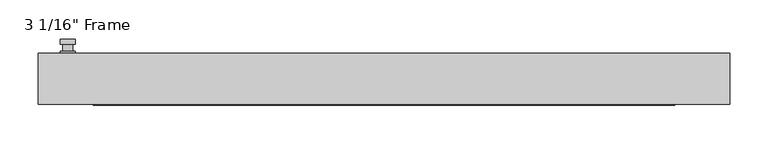
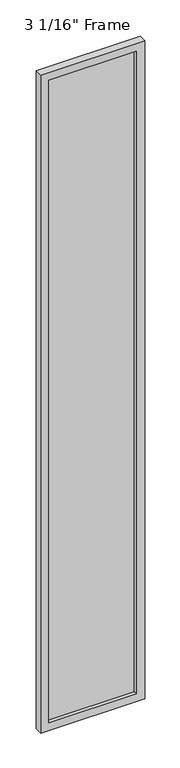
"""IFC4 building model written with IfcOpenShell, lengths in millimetres: plate geometry."""

import ifcopenshell
import ifcopenshell.guid

model = None  # the IFC model being written
_history = None  # IfcOwnerHistory: only IFC2X3 demands one
_inside = {}  # id of a spatial element -> (the spatial element, [elements in it])
_under = {}  # id of a project, library or spatial element -> (it, [spatial elements below it])
_declared = {}  # id of a project -> (the project, [libraries it declares])
_typed = {}  # id of a type object -> (the type object, [elements of that type])
_made_of = {}  # id of a material, layer set ... -> (it, [elements and type objects made of it])


def new_model(schema):
    """Start an empty IFC model of exactly this schema.

    Asked for "IFC4X3", IfcOpenShell would pick the latest addendum, in which some entities
    have other attributes; the version numbers below select the first issue.
    IFC2X3 requires an IfcOwnerHistory on every rooted entity: one is made here for all.
    """
    global model, _history
    if schema == "IFC4X3":
        model = ifcopenshell.file(schema_version=(4, 3, 0, 0))
    else:
        model = ifcopenshell.file(schema=schema)
    _inside.clear()
    _under.clear()
    _declared.clear()
    _typed.clear()
    _made_of.clear()
    _history = None
    if model.schema == "IFC2X3":
        org = make("IfcOrganization", Name="unknown")
        user = make(
            "IfcPersonAndOrganization",
            ThePerson=make("IfcPerson", FamilyName="unknown"),
            TheOrganization=org,
        )
        app = make(
            "IfcApplication",
            ApplicationDeveloper=org,
            Version="unknown",
            ApplicationFullName="unknown",
            ApplicationIdentifier="unknown",
        )
        _history = make(
            "IfcOwnerHistory",
            OwningUser=user,
            OwningApplication=app,
            ChangeAction="ADDED",
            CreationDate=0,
        )
    return model


def make(cls, **values):
    """One entity of the class cls with the attributes given. An attribute that is None is left unset."""
    return model.create_entity(
        cls, **{name: value for name, value in values.items() if value is not None}
    )


def rooted(cls, **values):
    """An entity with a GlobalId (a new one), such as an element, a storey or a relation."""
    return make(cls, GlobalId=ifcopenshell.guid.new(), OwnerHistory=_history, **values)


def si_unit(unit_type, name, prefix=None):
    """IfcSIUnit, for example si_unit("LENGTHUNIT", "METRE", prefix="MILLI")."""
    return make("IfcSIUnit", UnitType=unit_type, Prefix=prefix, Name=name)


def assignment(units):
    """IfcUnitAssignment: the units of a project."""
    return None if units is None else make("IfcUnitAssignment", Units=units)


def point(xyz):
    """IfcCartesianPoint."""
    return None if xyz is None else make("IfcCartesianPoint", Coordinates=xyz)


def direction(xyz):
    """IfcDirection."""
    return None if xyz is None else make("IfcDirection", DirectionRatios=xyz)


def frame(location, z_axis=None, x_axis=None):
    """IfcAxis2Placement3D, a coordinate frame: its origin and axes. An axis left out is left unset."""
    return make(
        "IfcAxis2Placement3D",
        Location=point(location),
        Axis=direction(z_axis),
        RefDirection=direction(x_axis),
    )


def origin():
    """The frame at (0, 0, 0) with its axes left unset."""
    return frame((0.0, 0.0, 0.0))


def place(relative_to, where):
    """IfcLocalPlacement: puts the frame where relative to a parent placement (None: the world)."""
    return make(
        "IfcLocalPlacement", PlacementRelTo=relative_to, RelativePlacement=where
    )


def context(
    kind, dimensions, precision=None, world=None, true_north=None, identifier=None
):
    """IfcGeometricRepresentationContext, for example the 3D "Model" context."""
    return make(
        "IfcGeometricRepresentationContext",
        ContextIdentifier=identifier,
        ContextType=kind,
        CoordinateSpaceDimension=dimensions,
        Precision=precision,
        WorldCoordinateSystem=world,
        TrueNorth=true_north,
    )


def project(units=None, contexts=None):
    """IfcProject with its units and contexts."""
    return rooted(
        "IfcProject",
        Name="project",
        RepresentationContexts=contexts,
        UnitsInContext=assignment(units),
    )


def spatial(cls, under=None, at=None, **own):
    """A site, building, storey or space (cls), placed at a placement, below another one or the project."""
    s = rooted(cls, ObjectPlacement=at, **own)
    if under is not None:
        _under.setdefault(under.id(), (under, []))[1].append(s)
    return s


def polyline(points):
    """IfcPolyline through the points."""
    return make("IfcPolyline", Points=[point(p) for p in points])


def circle_curve(where, radius):
    """IfcCircle in the frame where."""
    return make("IfcCircle", Position=where, Radius=radius)


def outline(outer, holes=None, kind="AREA"):
    """IfcArbitraryClosedProfileDef: a profile drawn as a closed curve; with holes, ...WithVoids."""
    if holes is None:
        return make("IfcArbitraryClosedProfileDef", ProfileType=kind, OuterCurve=outer)
    return make(
        "IfcArbitraryProfileDefWithVoids",
        ProfileType=kind,
        OuterCurve=outer,
        InnerCurves=holes,
    )


def extrude(swept, where, along, depth):
    """IfcExtrudedAreaSolid: the profile swept, set in the frame where, extruded along a direction by depth."""
    return make(
        "IfcExtrudedAreaSolid",
        SweptArea=swept,
        Position=where,
        ExtrudedDirection=direction(along),
        Depth=depth,
    )


def faces_of(points, faces, orient=None, outer=None):
    """IfcFace entities. A face is a list of loops; a loop is a list of indices into points, from 0.

    orient and outer hold one flag for each loop. By default every Orientation is true, the
    first loop of a face is its IfcFaceOuterBound and the others are IfcFaceBound.
    """
    made = []
    for i, loops in enumerate(faces):
        bounds = []
        for j, loop in enumerate(loops):
            is_outer = j == 0 if outer is None else outer[i][j]
            bounds.append(
                make(
                    "IfcFaceOuterBound" if is_outer else "IfcFaceBound",
                    Bound=make("IfcPolyLoop", Polygon=[points[k] for k in loop]),
                    Orientation=True if orient is None else orient[i][j],
                )
            )
        made.append(make("IfcFace", Bounds=bounds))
    return made


def faceted_brep(points, faces, orient=None, outer=None, voids=None):
    """IfcFacetedBrep: a solid bounded by flat faces; with voids (closed shells), ...WithVoids."""
    shared = [point(p) for p in points]
    hull = make("IfcClosedShell", CfsFaces=faces_of(shared, faces, orient, outer))
    if voids is None:
        return make("IfcFacetedBrep", Outer=hull)
    return make(
        "IfcFacetedBrepWithVoids",
        Outer=hull,
        Voids=[
            make(cls, CfsFaces=faces_of(shared, fs, o, b)) for cls, fs, o, b in voids
        ],
    )


def shape(context_of_items, identifier, shape_type, items):
    """IfcShapeRepresentation: the items that make up one representation, for example the "Body"."""
    return make(
        "IfcShapeRepresentation",
        ContextOfItems=context_of_items,
        RepresentationIdentifier=identifier,
        RepresentationType=shape_type,
        Items=items,
    )


def source(mapping_origin, context_of_items, identifier, shape_type, items):
    """IfcRepresentationMap: a shape defined once, which mapped items show again and again."""
    return make(
        "IfcRepresentationMap",
        MappingOrigin=mapping_origin,
        MappedRepresentation=shape(context_of_items, identifier, shape_type, items),
    )


def transform(
    local_origin,
    x_axis=None,
    y_axis=None,
    z_axis=None,
    scale=None,
    scale2=None,
    scale3=None,
    uniform=True,
):
    """IfcCartesianTransformationOperator3D, or its non-uniform kind. x_axis, y_axis, z_axis: its Axis1, 2, 3."""
    if uniform:
        return make(
            "IfcCartesianTransformationOperator3D",
            Axis1=direction(x_axis),
            Axis2=direction(y_axis),
            LocalOrigin=point(local_origin),
            Scale=scale,
            Axis3=direction(z_axis),
        )
    return make(
        "IfcCartesianTransformationOperator3DnonUniform",
        Axis1=direction(x_axis),
        Axis2=direction(y_axis),
        LocalOrigin=point(local_origin),
        Scale=scale,
        Axis3=direction(z_axis),
        Scale2=scale2,
        Scale3=scale3,
    )


def mapped(mapping_source, mapping_target):
    """IfcMappedItem: shows the shape of a source again, moved by a transform."""
    return make(
        "IfcMappedItem", MappingSource=mapping_source, MappingTarget=mapping_target
    )


def made_of(thing, what):
    """Note that an element or type object is made of a material, layer set ...; save() writes the relation."""
    if what is not None:
        _made_of.setdefault(what.id(), (what, []))[1].append(thing)
    return thing


def element(
    cls,
    number,
    at=None,
    inside=None,
    cuts=None,
    type_object=None,
    material=None,
    context=None,
    identifier="Body",
    shape_type=None,
    held_by="IfcProductDefinitionShape",
    body=None,
    shapes=None,
    **own,
):
    """One element of the class cls, such as IfcWall. Its Tag is "e" and its number.

    at: its placement. inside: the storey or other place that contains it. cuts: it is an
    opening in that element (IfcRelVoidsElement). A single representation is given by context,
    identifier, shape_type and body (its items); several are given by shapes. held_by: the class
    of the entity that holds the representations. save() writes the other relations.
    """
    e = rooted(cls, Tag="e%d" % number, ObjectPlacement=at, **own)
    if body is not None:
        shapes = [shape(context, identifier, shape_type, body)]
    if shapes is not None:
        e.Representation = make(held_by, Representations=shapes)
    if inside is not None:
        _inside.setdefault(inside.id(), (inside, []))[1].append(e)
    if cuts is not None:
        rooted(
            "IfcRelVoidsElement", RelatingBuildingElement=cuts, RelatedOpeningElement=e
        )
    if type_object is not None:
        _typed.setdefault(type_object.id(), (type_object, []))[1].append(e)
    return made_of(e, material)


def aggregate(whole, parts):
    """IfcRelAggregates: a whole, such as a stair, and the parts it consists of."""
    return rooted("IfcRelAggregates", RelatingObject=whole, RelatedObjects=parts)


def save(model, path):
    """Write the relations noted so far, then the file.

    IfcRelAggregates (storeys below a building ...), IfcRelContainedInSpatialStructure (elements
    in a storey), IfcRelDefinesByType, IfcRelAssociatesMaterial and IfcRelDeclares: one each for
    every whole, place, type object, material and project.
    """
    for whole, parts in _under.values():
        aggregate(whole, parts)
    for where, things in _inside.values():
        rooted(
            "IfcRelContainedInSpatialStructure",
            RelatedElements=things,
            RelatingStructure=where,
        )
    for kind, things in _typed.values():
        rooted("IfcRelDefinesByType", RelatedObjects=things, RelatingType=kind)
    for what, things in _made_of.values():
        rooted("IfcRelAssociatesMaterial", RelatedObjects=things, RelatingMaterial=what)
    for by, libraries in _declared.values():
        rooted("IfcRelDeclares", RelatingContext=by, RelatedDefinitions=libraries)
    model.write(path)


def plane_surface(at):
    """IfcPlane: the flat surface through the origin of the frame at, square to its z axis."""
    return make("IfcPlane", Position=at)


def cylinder_surface(at, radius):
    """IfcCylindricalSurface: all points at the distance radius from the z axis of the frame at."""
    return make("IfcCylindricalSurface", Position=at, Radius=radius)


def advanced_brep(points, edges, surfaces, faces):
    """IfcAdvancedBrep: a solid bounded by faces that lie on surfaces and meet in shared edges.

    An edge is (start, end): straight between two places in points (the first is 0);
    or (start, end, curve); or (start, end, curve, False) where it runs against its curve.
    A face is (place in surfaces, loops), or (place, loops, False) where it looks against
    its surface's normal. A loop lists edges by number (the first is 1), with a minus sign
    where the edge is run from its end to its start. The first loop is the outer one.
    """
    corners = [point(p) for p in points]
    vertices = [make("IfcVertexPoint", VertexGeometry=c) for c in corners]
    made = []
    for start, end, *more in edges:
        made.append(
            make(
                "IfcEdgeCurve",
                EdgeStart=vertices[start],
                EdgeEnd=vertices[end],
                EdgeGeometry=more[0] if more else make("IfcPolyline", Points=[corners[start], corners[end]]),
                SameSense=more[1] if len(more) > 1 else True,
            )
        )
    hull = []
    for where, loops, *sense in faces:
        bounds = []
        for j, loop in enumerate(loops):
            ring = [make("IfcOrientedEdge", EdgeElement=made[abs(k) - 1], Orientation=k > 0) for k in loop]
            bounds.append(
                make(
                    "IfcFaceOuterBound" if j == 0 else "IfcFaceBound",
                    Bound=make("IfcEdgeLoop", EdgeList=ring),
                    Orientation=True,
                )
            )
        hull.append(make("IfcAdvancedFace", Bounds=bounds, FaceSurface=surfaces[where], SameSense=sense[0] if sense else True))
    return make("IfcAdvancedBrep", Outer=make("IfcClosedShell", CfsFaces=hull))


def plate_557ca3a2(model_context):
    return source(origin(), model_context, "Body", "SolidModel", [
        advanced_brep(
        [(-401.6375, 33.3375, 927.1), (-420.6875, 33.3375, 927.1), (-420.6875, 33.3375, 901.7), (-401.6375, 33.3375, 901.7), (-404.8125, 46.0375, 914.4), (-404.8125, 36.5125, 914.4), (-417.5125, 36.5125, 914.4), (-417.5125, 46.0375, 914.4), (-401.6375, 46.0375, 914.4), (-420.6875, 46.0375, 914.4), (-417.5084644, 46.0375, 825.2736467), (-404.8165356, 46.0375, 825.2736467), (-401.6375, 52.3875, 914.4), (-404.8165356, 52.3875, 825.2736467), (-417.5084644, 52.3875, 825.2736467), (-420.6875, 52.3875, 914.4), (-401.6375, 36.5125, 927.1), (-401.6375, 36.5125, 901.7), (-420.6875, 36.5125, 901.7), (-420.6875, 36.5125, 927.1)],
        [
            (0, 1, circle_curve(frame((-411.1625, 33.3375, 927.1), z_axis=(0.0, -1.0, 0.0), x_axis=(-1.0, 0.0, 0.0)), 9.525)),
            (1, 2),
            (2, 3, circle_curve(frame((-411.1625, 33.3375, 901.7), z_axis=(0.0, -1.0, 0.0), x_axis=(-1.0, 0.0, 0.0)), 9.525)),
            (3, 0),
            (4, 5),
            (5, 6, circle_curve(frame((-411.1625, 36.5125, 914.4), z_axis=(0.0, 1.0, 0.0), x_axis=(-1.0, 0.0, 0.0)), 6.35)),
            (6, 7),
            (7, 4, circle_curve(frame((-411.1625, 46.0375, 914.4), z_axis=(0.0, -1.0, 0.0), x_axis=(-1.0, 0.0, 0.0)), 6.35)),
            (6, 5, circle_curve(frame((-411.1625, 36.5125, 914.4), z_axis=(0.0, 1.0, 0.0), x_axis=(-1.0, 0.0, 0.0)), 6.35)),
            (4, 7, circle_curve(frame((-411.1625, 46.0375, 914.4), z_axis=(0.0, -1.0, 0.0), x_axis=(-1.0, 0.0, 0.0)), 6.35)),
            (8, 9, circle_curve(frame((-411.1625, 46.0375, 914.4), z_axis=(0.0, -1.0, 0.0), x_axis=(-1.0, 0.0, 0.0)), 9.525)),
            (9, 10),
            (10, 11, circle_curve(frame((-411.1625, 46.0375, 825.5), z_axis=(0.0, -1.0, 0.0), x_axis=(-1.0, 0.0, 0.0)), 6.35)),
            (11, 8),
            (12, 13),
            (13, 14, circle_curve(frame((-411.1625, 52.3875, 825.5), z_axis=(0.0, 1.0, 0.0), x_axis=(-1.0, 0.0, 0.0)), 6.35)),
            (14, 15),
            (15, 12, circle_curve(frame((-411.1625, 52.3875, 914.4), z_axis=(0.0, 1.0, 0.0), x_axis=(-1.0, 0.0, 0.0)), 9.525)),
            (11, 13),
            (12, 8),
            (10, 14),
            (9, 15),
            (16, 17),
            (17, 18, circle_curve(frame((-411.1625, 36.5125, 901.7), z_axis=(0.0, 1.0, 0.0), x_axis=(-1.0, 0.0, 0.0)), 9.525)),
            (18, 19),
            (19, 16, circle_curve(frame((-411.1625, 36.5125, 927.1), z_axis=(0.0, 1.0, 0.0), x_axis=(-1.0, 0.0, 0.0)), 9.525)),
            (3, 17),
            (16, 0),
            (2, 18),
            (1, 19),
        ],
        [
            plane_surface(frame((-417.5125, 33.3375, 914.4), z_axis=(0.0, -1.0, 0.0), x_axis=(0.0, 0.0, 1.0))),
            cylinder_surface(frame((-411.1625, 46.0375, 914.4), z_axis=(0.0, -1.0, 0.0), x_axis=(-1.0, 0.0, 0.0)), 6.35),
            plane_surface(frame((-401.6375, 46.0375, 914.4), z_axis=(0.0, -1.0000000000000002, 0.0), x_axis=(-0.03564619348186888, 0.0, -0.9993644724975235))),
            plane_surface(frame((-401.6375, 52.3875, 914.4), z_axis=(0.0, 1.0000000000000002, 0.0), x_axis=(0.03564619348186888, 0.0, 0.9993644724975235))),
            plane_surface(frame((-401.6375, 46.0375, 914.4), z_axis=(0.9993644724975235, 0.0, -0.03564619348186888), x_axis=(0.0, 1.0, 0.0))),
            cylinder_surface(frame((-411.1625, 52.3875, 825.5), z_axis=(0.0, -1.0, 0.0), x_axis=(-1.0, 0.0, 0.0)), 6.35),
            plane_surface(frame((-417.5084644, 46.0375, 825.2736467), z_axis=(-0.9993644724975228, 0.0, -0.03564619348188612), x_axis=(0.0, 1.0, 0.0))),
            cylinder_surface(frame((-411.1625, 52.3875, 914.4), z_axis=(0.0, -1.0, 0.0), x_axis=(-1.0, 0.0, 0.0)), 9.525),
            plane_surface(frame((-401.6375, 36.5125, 901.7), z_axis=(0.0, 1.0, 0.0), x_axis=(0.0, 0.0, 1.0))),
            plane_surface(frame((-401.6375, 33.3375, 927.1), z_axis=(1.0, 0.0, 0.0), x_axis=(0.0, 1.0, 0.0))),
            cylinder_surface(frame((-411.1625, 36.5125, 901.7), z_axis=(0.0, -1.0, 0.0), x_axis=(-1.0, 0.0, 0.0)), 9.525),
            plane_surface(frame((-420.6875, 33.3375, 901.7), z_axis=(-1.0, 0.0, 0.0), x_axis=(0.0, 1.0, 0.0))),
            cylinder_surface(frame((-411.1625, 36.5125, 927.1), z_axis=(0.0, -1.0, 0.0), x_axis=(-1.0, 0.0, 0.0)), 9.525),
        ],
        [
            (0, [[1, 2, 3, 4]]),
            (1, [[5, 6, 7, 8]]),
            (1, [[-7, 9, -5, 10]]),
            (2, [[11, 12, 13, 14], [-10, -8]]),
            (3, [[15, 16, 17, 18]]),
            (4, [[19, -15, 20, -14]]),
            (5, [[21, -16, -19, -13]]),
            (6, [[22, -17, -21, -12]]),
            (7, [[-20, -18, -22, -11]]),
            (8, [[23, 24, 25, 26], [-9, -6]]),
            (9, [[27, -23, 28, -4]]),
            (10, [[29, -24, -27, -3]]),
            (11, [[30, -25, -29, -2]]),
            (12, [[-28, -26, -30, -1]]),
        ],
    ),
        faceted_brep([(-449.2625, 33.3375, 0.0), (449.2625, 33.3375, 0.0), (449.2625, -33.3375, 0.0), (-449.2625, -33.3375, 0.0), (-449.2625, 33.3375, 6010.275), (449.2625, 33.3375, 6010.275), (-377.825, 33.3375, 5938.8375), (-377.825, 33.3375, 71.4375), (377.825, 33.3375, 71.4375), (377.825, 33.3375, 5938.8375), (-449.2625, -33.3375, 6010.275), (449.2625, -33.3375, 6010.275), (-377.825, -33.3375, 5938.8375), (377.825, -33.3375, 5938.8375), (377.825, -33.3375, 71.4375), (-377.825, -33.3375, 71.4375), (-371.475, -11.90625, 77.7875), (-371.475, -11.90625, 5932.4875), (384.175, -11.90625, 5945.1875), (384.175, -11.90625, 65.0875), (-384.175, -11.90625, 65.0875), (-384.175, -11.90625, 5945.1875), (371.475, -11.90625, 77.7875), (371.475, -11.90625, 5932.4875), (-384.175, 11.90625, 65.0875), (-384.175, 11.90625, 5945.1875), (384.175, 11.90625, 65.0875), (384.175, 11.90625, 5945.1875), (-371.475, 11.90625, 5932.4875), (371.475, 11.90625, 5932.4875), (371.475, 11.90625, 77.7875), (-371.475, 11.90625, 77.7875)], [[[0, 1, 2, 3]], [[0, 4, 5, 1], [6, 7, 8, 9]], [[3, 10, 4, 0]], [[2, 11, 10, 3], [12, 13, 14, 15]], [[12, 15, 16, 17]], [[18, 19, 20, 21], [17, 16, 22, 23]], [[20, 24, 25, 21]], [[25, 24, 26, 27], [28, 29, 30, 31]], [[28, 31, 7, 6]], [[4, 10, 11, 5]], [[12, 17, 23, 13]], [[21, 25, 27, 18]], [[9, 29, 28, 6]], [[5, 11, 2, 1]], [[23, 22, 14, 13]], [[26, 19, 18, 27]], [[9, 8, 30, 29]], [[7, 31, 30, 8]], [[19, 26, 24, 20]], [[16, 15, 14, 22]]]),
        extrude(outline(polyline([(384.175, 11.90625), (384.175, -11.90625), (-384.175, -11.90625), (-384.175, 11.90625), (384.175, 11.90625)])), frame((0.0, 0.0, 65.0875), z_axis=(0.0, 0.0, 1.0), x_axis=(1.0, 0.0, 0.0)), (0.0, 0.0, 1.0), 5880.1),
    ])


if __name__ == "__main__":
    model = new_model("IFC4")
    model_context = context("Model", 3, world=origin())
    ifc_project = project(units=[si_unit("LENGTHUNIT", "METRE", prefix="MILLI")], contexts=[model_context])
    site = spatial("IfcSite", under=ifc_project)
    building = spatial("IfcBuilding", under=site)
    placement = place(None, origin())
    plate_shape = plate_557ca3a2(model_context)
    element("IfcPlate", 1, ObjectType="3 1/16\" Frame", at=placement, inside=building, context=model_context, shape_type="MappedRepresentation", body=[
        mapped(plate_shape, transform((0.0, 0.0, 0.0), x_axis=(1.0, 0.0, 0.0), y_axis=(0.0, 1.0, 0.0), z_axis=(0.0, 0.0, 1.0))),
    ])
    save(model, "model.ifc")
